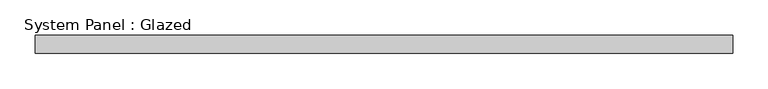
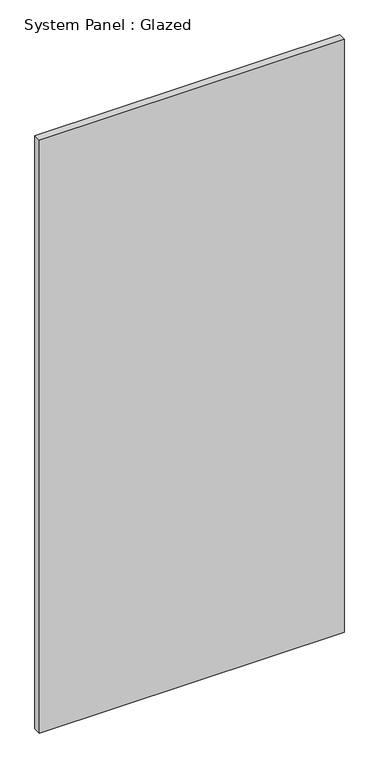
"""IFC4 building model written with IfcOpenShell, lengths in millimetres: plate geometry, System Panel : Glazed."""

from ifc_helpers import new_model, si_unit, origin, origin_with_axes, place, context, project, spatial, polyline, outline, extrude, source, transform, mapped, element, save


def system_panel_glazed_2c57fb12(model_context):
    return source(origin(), model_context, "Body", "SweptSolid", [
        extrude(outline(polyline([(492.1416276, 24.5), (-492.1416276, 24.5), (-492.1416276, 49.5), (492.1416276, 49.5), (492.1416276, 24.5)])), origin_with_axes(), (0.0, 0.0, 1.0), 2025.0),
    ])


if __name__ == "__main__":
    model = new_model("IFC4")
    model_context = context("Model", 3, world=origin())
    ifc_project = project(units=[si_unit("LENGTHUNIT", "METRE", prefix="MILLI")], contexts=[model_context])
    site = spatial("IfcSite", under=ifc_project)
    building = spatial("IfcBuilding", under=site)
    placement = place(None, origin())
    system_panel_glazed_shape = system_panel_glazed_2c57fb12(model_context)
    element("IfcPlate", 1, ObjectType="System Panel : Glazed", at=placement, inside=building, context=model_context, shape_type="MappedRepresentation", body=[
        mapped(system_panel_glazed_shape, transform((0.0, 0.0, 0.0), x_axis=(1.0, 0.0, 0.0), y_axis=(0.0, 1.0, 0.0), z_axis=(0.0, 0.0, 1.0))),
    ])
    save(model, "model.ifc")
